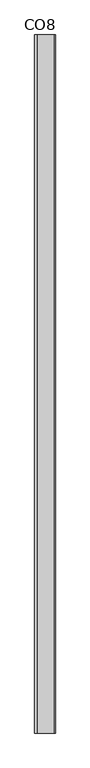
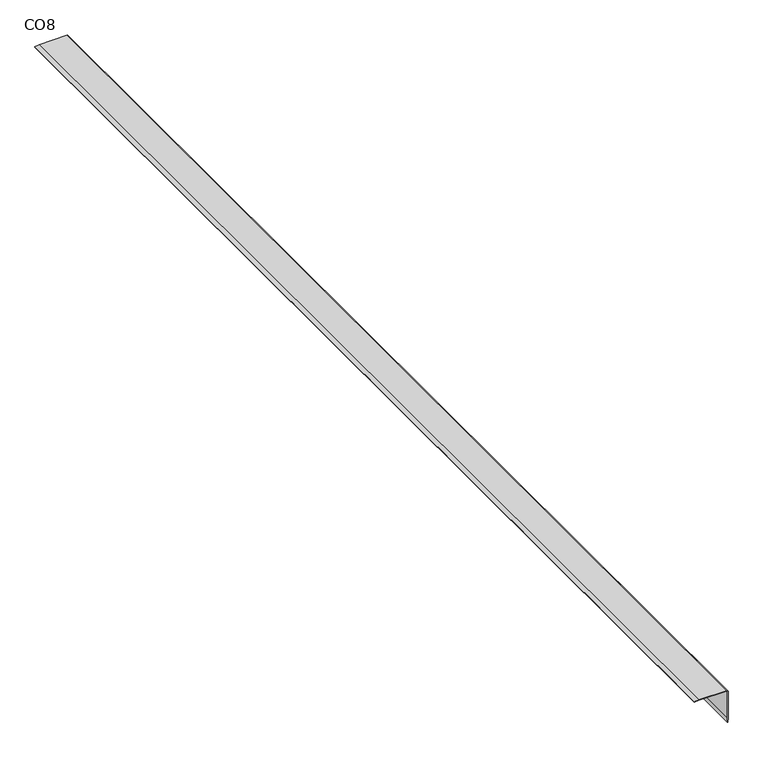
"""IFC4 building model written with IfcOpenShell, lengths in millimetres: proxy geometry, CO8."""

from ifc_helpers import new_model, si_unit, point, frame, frame_2d, origin, place, context, project, spatial, polyline, circle_curve, trimmed, segment, composite_curve, outline, extrude, source, transform, mapped, element, save


def co8_232c624f(model_context):
    return source(origin(), model_context, "Body", "SweptSolid", [
        extrude(outline(composite_curve([segment(trimmed(circle_curve(frame_2d((-2.1680302, -2.1692738)), 4.8286525), [point((-2.0930956, 2.6587971))], [point((2.6587971, -2.0365255))], False, "CARTESIAN"), True, "CONTINUOUS"), segment(polyline([(2.6587971, -2.0365255), (2.6587971, -75.4263591), (1.4832462, -86.594093), (0.0, -86.4903743), (1.131403, -75.369789), (1.131403, -2.0930956)]), True, "CONTINUOUS"), segment(trimmed(circle_curve(frame_2d((-2.0930956, -2.0930956)), 3.2244987), [point((1.131403, -2.0930956))], [point((-2.0930956, 1.131403))], True, "CARTESIAN"), True, "CONTINUOUS"), segment(polyline([(-2.0930956, 1.131403), (-75.3522475, 1.131403), (-86.4723231, 0.0), (-86.5786929, 1.4891767), (-75.4088177, 2.6587971), (-2.0930956, 2.6587971)]), True, "CONTINUOUS")], self_intersect=False)), frame((0.0, -1141.4125, 0.0), z_axis=(0.0, 1.0, 0.0), x_axis=(0.0, 0.0, 1.0)), (0.0, 0.0, 1.0), 3021.0125),
    ])


if __name__ == "__main__":
    model = new_model("IFC4")
    model_context = context("Model", 3, world=origin())
    ifc_project = project(units=[si_unit("LENGTHUNIT", "METRE", prefix="MILLI")], contexts=[model_context])
    site = spatial("IfcSite", under=ifc_project)
    building = spatial("IfcBuilding", under=site)
    placement = place(None, origin())
    co8_shape = co8_232c624f(model_context)
    element("IfcBuildingElementProxy", 1, Name="CO8", ObjectType="CO8", at=placement, inside=building, context=model_context, shape_type="MappedRepresentation", body=[
        mapped(co8_shape, transform((0.0, 0.0, 0.0), x_axis=(1.0, 0.0, 0.0), y_axis=(0.0, 1.0, 0.0), z_axis=(0.0, 0.0, 1.0))),
    ])
    save(model, "model.ifc")
